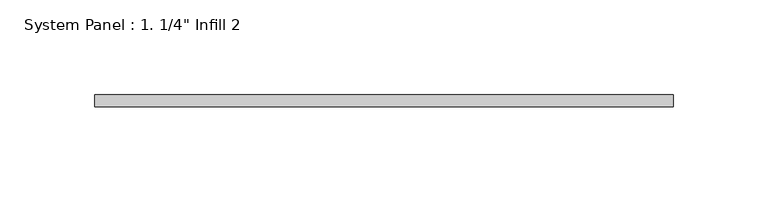
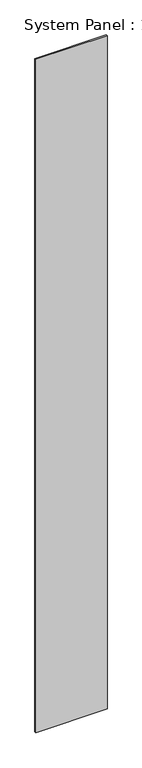
"""IFC4 building model written with IfcOpenShell, lengths in millimetres: plate geometry."""

from ifc_helpers import new_model, si_unit, origin, origin_with_axes, place, context, project, spatial, polyline, outline, extrude, source, transform, mapped, element, save


def plate_41a93cec(model_context):
    return source(origin(), model_context, "Body", "SweptSolid", [
        extrude(outline(polyline([(152.4380554, -6.35), (-152.4380554, -6.35), (-152.4380554, 0.0), (152.4380554, 0.0), (152.4380554, -6.35)])), origin_with_axes(), (0.0, 0.0, 1.0), 3048.0),
    ])


if __name__ == "__main__":
    model = new_model("IFC4")
    model_context = context("Model", 3, world=origin())
    ifc_project = project(units=[si_unit("LENGTHUNIT", "METRE", prefix="MILLI")], contexts=[model_context])
    site = spatial("IfcSite", under=ifc_project)
    building = spatial("IfcBuilding", under=site)
    placement = place(None, origin())
    plate_shape = plate_41a93cec(model_context)
    element("IfcPlate", 1, ObjectType="System Panel : 1. 1/4\" Infill 2", at=placement, inside=building, context=model_context, shape_type="MappedRepresentation", body=[
        mapped(plate_shape, transform((0.0, 0.0, 0.0), x_axis=(1.0, 0.0, 0.0), y_axis=(0.0, 1.0, 0.0), z_axis=(0.0, 0.0, 1.0))),
    ])
    save(model, "model.ifc")
